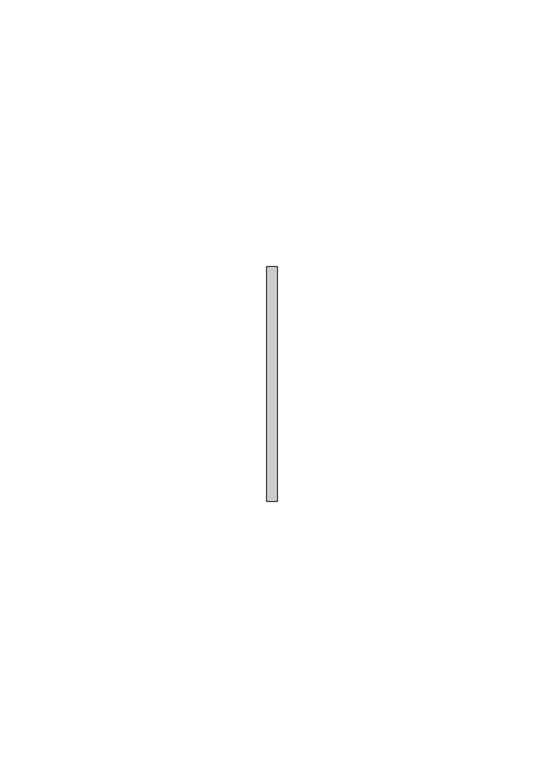
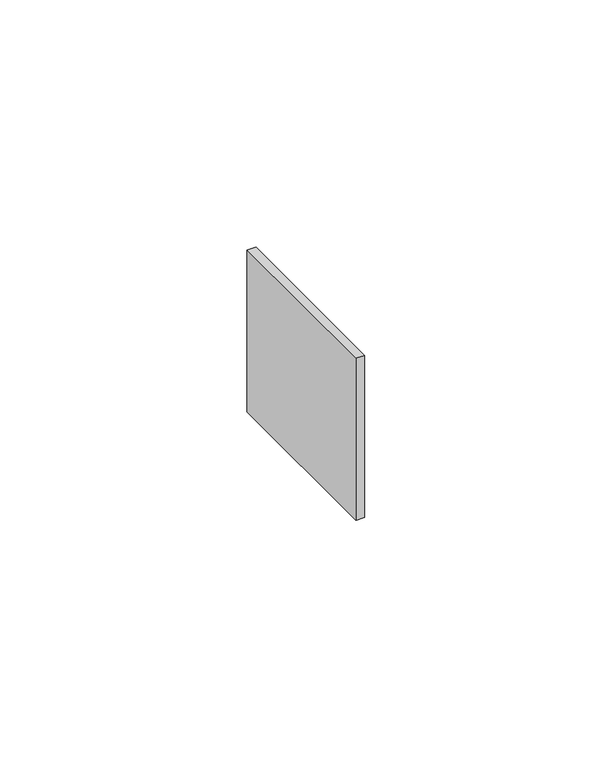
"""IFC4 building model written with IfcOpenShell, lengths in millimetres: member geometry."""

import ifcopenshell
import ifcopenshell.guid

model = None  # the IFC model being written
_history = None  # IfcOwnerHistory: only IFC2X3 demands one
_inside = {}  # id of a spatial element -> (the spatial element, [elements in it])
_under = {}  # id of a project, library or spatial element -> (it, [spatial elements below it])
_declared = {}  # id of a project -> (the project, [libraries it declares])
_typed = {}  # id of a type object -> (the type object, [elements of that type])
_made_of = {}  # id of a material, layer set ... -> (it, [elements and type objects made of it])


def new_model(schema):
    """Start an empty IFC model of exactly this schema.

    Asked for "IFC4X3", IfcOpenShell would pick the latest addendum, in which some entities
    have other attributes; the version numbers below select the first issue.
    IFC2X3 requires an IfcOwnerHistory on every rooted entity: one is made here for all.
    """
    global model, _history
    if schema == "IFC4X3":
        model = ifcopenshell.file(schema_version=(4, 3, 0, 0))
    else:
        model = ifcopenshell.file(schema=schema)
    _inside.clear()
    _under.clear()
    _declared.clear()
    _typed.clear()
    _made_of.clear()
    _history = None
    if model.schema == "IFC2X3":
        org = make("IfcOrganization", Name="unknown")
        user = make(
            "IfcPersonAndOrganization",
            ThePerson=make("IfcPerson", FamilyName="unknown"),
            TheOrganization=org,
        )
        app = make(
            "IfcApplication",
            ApplicationDeveloper=org,
            Version="unknown",
            ApplicationFullName="unknown",
            ApplicationIdentifier="unknown",
        )
        _history = make(
            "IfcOwnerHistory",
            OwningUser=user,
            OwningApplication=app,
            ChangeAction="ADDED",
            CreationDate=0,
        )
    return model


def make(cls, **values):
    """One entity of the class cls with the attributes given. An attribute that is None is left unset."""
    return model.create_entity(
        cls, **{name: value for name, value in values.items() if value is not None}
    )


def rooted(cls, **values):
    """An entity with a GlobalId (a new one), such as an element, a storey or a relation."""
    return make(cls, GlobalId=ifcopenshell.guid.new(), OwnerHistory=_history, **values)


def si_unit(unit_type, name, prefix=None):
    """IfcSIUnit, for example si_unit("LENGTHUNIT", "METRE", prefix="MILLI")."""
    return make("IfcSIUnit", UnitType=unit_type, Prefix=prefix, Name=name)


def assignment(units):
    """IfcUnitAssignment: the units of a project."""
    return None if units is None else make("IfcUnitAssignment", Units=units)


def point(xyz):
    """IfcCartesianPoint."""
    return None if xyz is None else make("IfcCartesianPoint", Coordinates=xyz)


def direction(xyz):
    """IfcDirection."""
    return None if xyz is None else make("IfcDirection", DirectionRatios=xyz)


def frame(location, z_axis=None, x_axis=None):
    """IfcAxis2Placement3D, a coordinate frame: its origin and axes. An axis left out is left unset."""
    return make(
        "IfcAxis2Placement3D",
        Location=point(location),
        Axis=direction(z_axis),
        RefDirection=direction(x_axis),
    )


def origin():
    """The frame at (0, 0, 0) with its axes left unset."""
    return frame((0.0, 0.0, 0.0))


def place(relative_to, where):
    """IfcLocalPlacement: puts the frame where relative to a parent placement (None: the world)."""
    return make(
        "IfcLocalPlacement", PlacementRelTo=relative_to, RelativePlacement=where
    )


def context(
    kind, dimensions, precision=None, world=None, true_north=None, identifier=None
):
    """IfcGeometricRepresentationContext, for example the 3D "Model" context."""
    return make(
        "IfcGeometricRepresentationContext",
        ContextIdentifier=identifier,
        ContextType=kind,
        CoordinateSpaceDimension=dimensions,
        Precision=precision,
        WorldCoordinateSystem=world,
        TrueNorth=true_north,
    )


def project(units=None, contexts=None):
    """IfcProject with its units and contexts."""
    return rooted(
        "IfcProject",
        Name="project",
        RepresentationContexts=contexts,
        UnitsInContext=assignment(units),
    )


def spatial(cls, under=None, at=None, **own):
    """A site, building, storey or space (cls), placed at a placement, below another one or the project."""
    s = rooted(cls, ObjectPlacement=at, **own)
    if under is not None:
        _under.setdefault(under.id(), (under, []))[1].append(s)
    return s


def polyline(points):
    """IfcPolyline through the points."""
    return make("IfcPolyline", Points=[point(p) for p in points])


def outline(outer, holes=None, kind="AREA"):
    """IfcArbitraryClosedProfileDef: a profile drawn as a closed curve; with holes, ...WithVoids."""
    if holes is None:
        return make("IfcArbitraryClosedProfileDef", ProfileType=kind, OuterCurve=outer)
    return make(
        "IfcArbitraryProfileDefWithVoids",
        ProfileType=kind,
        OuterCurve=outer,
        InnerCurves=holes,
    )


def extrude(swept, where, along, depth):
    """IfcExtrudedAreaSolid: the profile swept, set in the frame where, extruded along a direction by depth."""
    return make(
        "IfcExtrudedAreaSolid",
        SweptArea=swept,
        Position=where,
        ExtrudedDirection=direction(along),
        Depth=depth,
    )


def shape(context_of_items, identifier, shape_type, items):
    """IfcShapeRepresentation: the items that make up one representation, for example the "Body"."""
    return make(
        "IfcShapeRepresentation",
        ContextOfItems=context_of_items,
        RepresentationIdentifier=identifier,
        RepresentationType=shape_type,
        Items=items,
    )


def source(mapping_origin, context_of_items, identifier, shape_type, items):
    """IfcRepresentationMap: a shape defined once, which mapped items show again and again."""
    return make(
        "IfcRepresentationMap",
        MappingOrigin=mapping_origin,
        MappedRepresentation=shape(context_of_items, identifier, shape_type, items),
    )


def transform(
    local_origin,
    x_axis=None,
    y_axis=None,
    z_axis=None,
    scale=None,
    scale2=None,
    scale3=None,
    uniform=True,
):
    """IfcCartesianTransformationOperator3D, or its non-uniform kind. x_axis, y_axis, z_axis: its Axis1, 2, 3."""
    if uniform:
        return make(
            "IfcCartesianTransformationOperator3D",
            Axis1=direction(x_axis),
            Axis2=direction(y_axis),
            LocalOrigin=point(local_origin),
            Scale=scale,
            Axis3=direction(z_axis),
        )
    return make(
        "IfcCartesianTransformationOperator3DnonUniform",
        Axis1=direction(x_axis),
        Axis2=direction(y_axis),
        LocalOrigin=point(local_origin),
        Scale=scale,
        Axis3=direction(z_axis),
        Scale2=scale2,
        Scale3=scale3,
    )


def mapped(mapping_source, mapping_target):
    """IfcMappedItem: shows the shape of a source again, moved by a transform."""
    return make(
        "IfcMappedItem", MappingSource=mapping_source, MappingTarget=mapping_target
    )


def made_of(thing, what):
    """Note that an element or type object is made of a material, layer set ...; save() writes the relation."""
    if what is not None:
        _made_of.setdefault(what.id(), (what, []))[1].append(thing)
    return thing


def element(
    cls,
    number,
    at=None,
    inside=None,
    cuts=None,
    type_object=None,
    material=None,
    context=None,
    identifier="Body",
    shape_type=None,
    held_by="IfcProductDefinitionShape",
    body=None,
    shapes=None,
    **own,
):
    """One element of the class cls, such as IfcWall. Its Tag is "e" and its number.

    at: its placement. inside: the storey or other place that contains it. cuts: it is an
    opening in that element (IfcRelVoidsElement). A single representation is given by context,
    identifier, shape_type and body (its items); several are given by shapes. held_by: the class
    of the entity that holds the representations. save() writes the other relations.
    """
    e = rooted(cls, Tag="e%d" % number, ObjectPlacement=at, **own)
    if body is not None:
        shapes = [shape(context, identifier, shape_type, body)]
    if shapes is not None:
        e.Representation = make(held_by, Representations=shapes)
    if inside is not None:
        _inside.setdefault(inside.id(), (inside, []))[1].append(e)
    if cuts is not None:
        rooted(
            "IfcRelVoidsElement", RelatingBuildingElement=cuts, RelatedOpeningElement=e
        )
    if type_object is not None:
        _typed.setdefault(type_object.id(), (type_object, []))[1].append(e)
    return made_of(e, material)


def aggregate(whole, parts):
    """IfcRelAggregates: a whole, such as a stair, and the parts it consists of."""
    return rooted("IfcRelAggregates", RelatingObject=whole, RelatedObjects=parts)


def save(model, path):
    """Write the relations noted so far, then the file.

    IfcRelAggregates (storeys below a building ...), IfcRelContainedInSpatialStructure (elements
    in a storey), IfcRelDefinesByType, IfcRelAssociatesMaterial and IfcRelDeclares: one each for
    every whole, place, type object, material and project.
    """
    for whole, parts in _under.values():
        aggregate(whole, parts)
    for where, things in _inside.values():
        rooted(
            "IfcRelContainedInSpatialStructure",
            RelatedElements=things,
            RelatingStructure=where,
        )
    for kind, things in _typed.values():
        rooted("IfcRelDefinesByType", RelatedObjects=things, RelatingType=kind)
    for what, things in _made_of.values():
        rooted("IfcRelAssociatesMaterial", RelatedObjects=things, RelatingMaterial=what)
    for by, libraries in _declared.values():
        rooted("IfcRelDeclares", RelatingContext=by, RelatedDefinitions=libraries)
    model.write(path)


def member_fc2d3749(model_context):
    return source(origin(), model_context, "Body", "SweptSolid", [
        extrude(outline(polyline([(1.0, 22.0), (1.0, -22.0), (-1.0, -22.0), (-1.0, 22.0), (1.0, 22.0)])), frame((0.0, 0.0, -39.9999997), z_axis=(0.0, 0.0, 1.0), x_axis=(1.0, 0.0, 0.0)), (0.0, 0.0, 1.0), 39.9999997),
    ])


if __name__ == "__main__":
    model = new_model("IFC4")
    model_context = context("Model", 3, world=origin())
    ifc_project = project(units=[si_unit("LENGTHUNIT", "METRE", prefix="MILLI")], contexts=[model_context])
    site = spatial("IfcSite", under=ifc_project)
    building = spatial("IfcBuilding", under=site)
    placement = place(None, origin())
    member_shape = member_fc2d3749(model_context)
    element("IfcMember", 1, at=placement, inside=building, context=model_context, shape_type="MappedRepresentation", body=[
        mapped(member_shape, transform((0.0, 0.0, 0.0), x_axis=(1.0, 0.0, 0.0), y_axis=(0.0, 1.0, 0.0), z_axis=(0.0, 0.0, 1.0))),
    ])
    save(model, "model.ifc")
